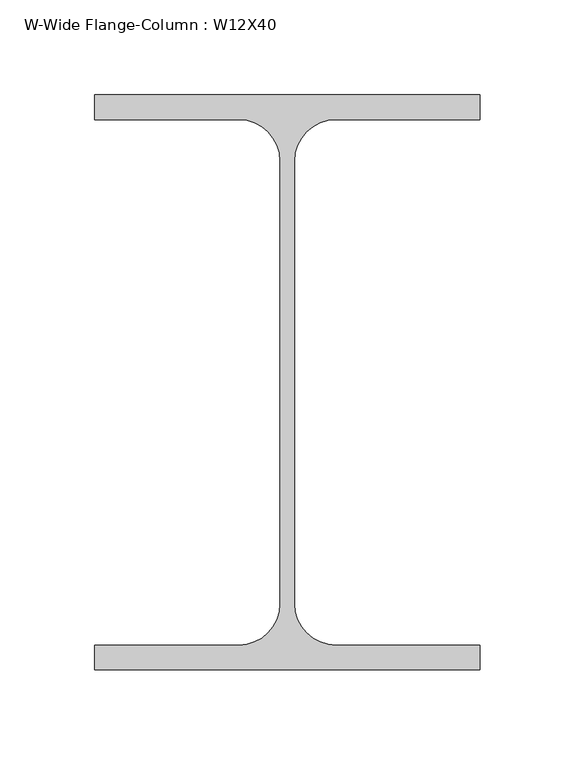
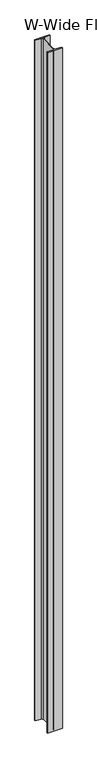
"""IFC4 building model written with IfcOpenShell, lengths in millimetres: column geometry, W-Wide Flange-Column : W12X40."""

from ifc_helpers import new_model, si_unit, point, frame, frame_2d, origin, place, context, project, spatial, polyline, circle_curve, trimmed, segment, composite_curve, outline, extrude, source, transform, mapped, element, save


def w_wide_flange_column_w12x40_d1c68729(model_context):
    return source(origin(), model_context, "Body", "SweptSolid", [
        extrude(outline(composite_curve([segment(polyline([(101.6496094, 151.6558594), (101.6496094, 138.5589844), (25.5984375, 138.5589844)]), True, "CONTINUOUS"), segment(trimmed(circle_curve(frame_2d((25.5984375, 116.7308594)), 21.828125), [point((25.5984375, 138.5589844))], [point((3.7703125, 116.7308594))], True, "CARTESIAN"), True, "CONTINUOUS"), segment(polyline([(3.7703125, 116.7308594), (3.7703125, -116.7308594)]), True, "CONTINUOUS"), segment(trimmed(circle_curve(frame_2d((25.5984375, -116.7308594)), 21.828125), [point((3.7703125, -116.7308594))], [point((25.5984375, -138.5589844))], True, "CARTESIAN"), True, "CONTINUOUS"), segment(polyline([(25.5984375, -138.5589844), (101.6496094, -138.5589844), (101.6496094, -151.6558594), (-101.6496094, -151.6558594), (-101.6496094, -138.5589844), (-25.5984375, -138.5589844)]), True, "CONTINUOUS"), segment(trimmed(circle_curve(frame_2d((-25.5984375, -116.7308594)), 21.828125), [point((-25.5984375, -138.5589844))], [point((-3.7703125, -116.7308594))], True, "CARTESIAN"), True, "CONTINUOUS"), segment(polyline([(-3.7703125, -116.7308594), (-3.7703125, 116.7308594)]), True, "CONTINUOUS"), segment(trimmed(circle_curve(frame_2d((-25.5984375, 116.7308594)), 21.828125), [point((-3.7703125, 116.7308594))], [point((-25.5984375, 138.5589844))], True, "CARTESIAN"), True, "CONTINUOUS"), segment(polyline([(-25.5984375, 138.5589844), (-101.6496094, 138.5589844), (-101.6496094, 151.6558594), (101.6496094, 151.6558594)]), True, "CONTINUOUS")], self_intersect=False)), frame((0.0, 0.0, 9347.2), z_axis=(0.0, 0.0, 1.0), x_axis=(1.0, 0.0, 0.0)), (0.0, 0.0, 1.0), 9855.2),
    ])


if __name__ == "__main__":
    model = new_model("IFC4")
    model_context = context("Model", 3, world=origin())
    ifc_project = project(units=[si_unit("LENGTHUNIT", "METRE", prefix="MILLI")], contexts=[model_context])
    site = spatial("IfcSite", under=ifc_project)
    building = spatial("IfcBuilding", under=site)
    placement = place(None, origin())
    w_wide_flange_column_w12x40_shape = w_wide_flange_column_w12x40_d1c68729(model_context)
    element("IfcColumn", 1, ObjectType="W-Wide Flange-Column : W12X40", at=placement, inside=building, context=model_context, shape_type="MappedRepresentation", body=[
        mapped(w_wide_flange_column_w12x40_shape, transform((0.0, 0.0, 0.0), x_axis=(1.0, 0.0, 0.0), y_axis=(0.0, 1.0, 0.0), z_axis=(0.0, 0.0, 1.0))),
    ])
    save(model, "model.ifc")
